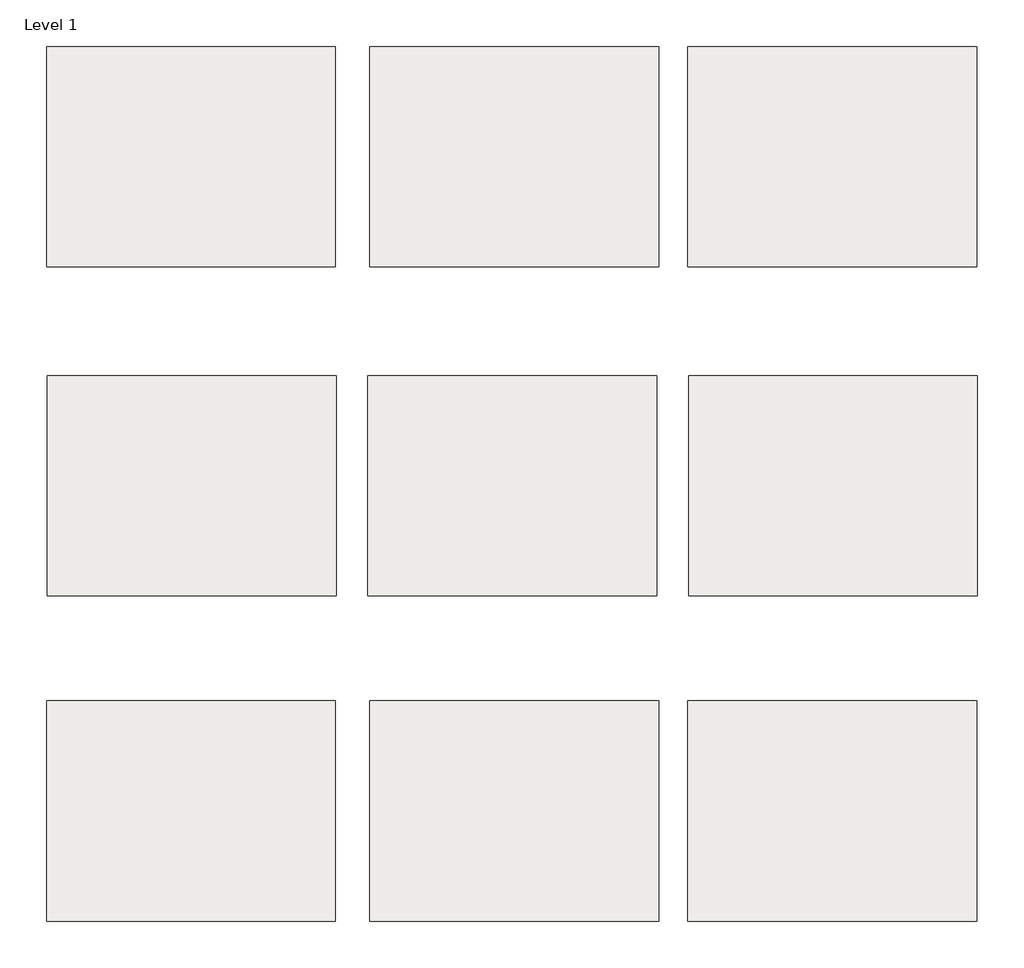
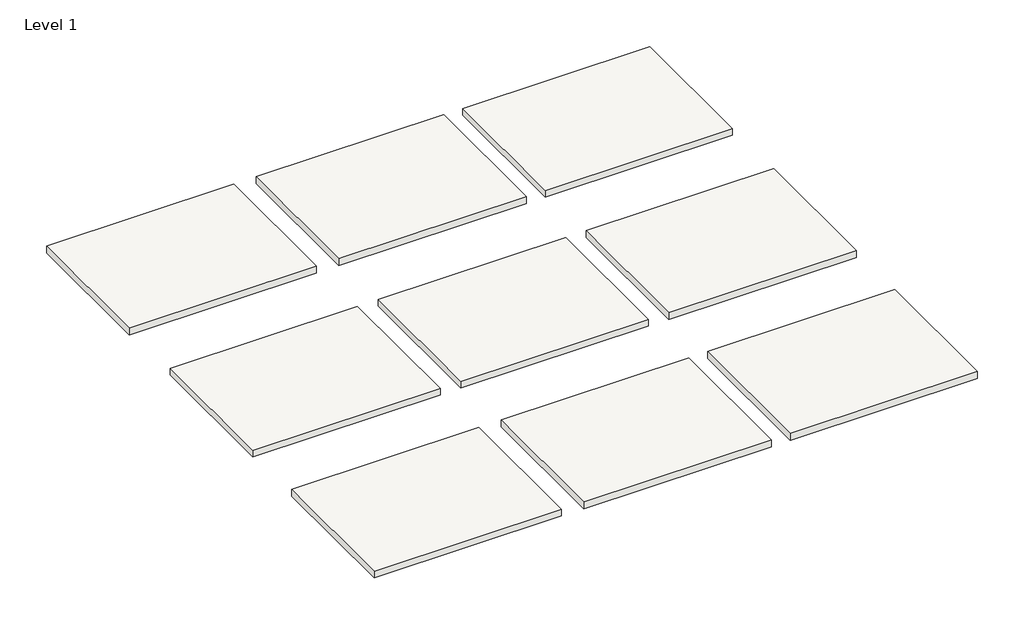
# One storey: 9 slabs.
"""IFC4 building model written with IfcOpenShell, lengths in millimetres."""

from ifc_helpers import new_model, si_unit, frame, origin, place, context, project, spatial, polyline, outline, extrude, element, save

model = new_model("IFC4")

# Units and contexts
model_context = context("Model", 3, world=origin())
ifc_project = project(units=[si_unit("LENGTHUNIT", "METRE", prefix="MILLI")], contexts=[model_context])

# Site, building, storey
site = spatial("IfcSite", under=ifc_project)
building = spatial("IfcBuilding", under=site)
storey = spatial("IfcBuildingStorey", under=building, Name="Level 1", Elevation=0.0)

# Slabs
placement = place(None, origin())
element("IfcSlab", 1, at=placement, inside=storey, context=model_context, shape_type="SweptSolid", body=[
    extrude(outline(polyline([(3860.6368856, 8965.7939198), (3860.6368856, 9251.5439198), (4235.2868856, 9251.5439198), (4235.2868856, 8965.7939198), (3860.6368856, 8965.7939198)])), frame((0.0, 0.0, -14.2875), z_axis=(0.0, 0.0, 1.0), x_axis=(1.0, 0.0, 0.0)), (0.0, 0.0, 1.0), 14.2875),
])
element("IfcSlab", 2, at=placement, inside=storey, context=model_context, shape_type="SweptSolid", body=[
    extrude(outline(polyline([(4273.3868856, 8965.7939198), (4273.3868856, 9251.5439198), (4648.0368856, 9251.5439198), (4648.0368856, 8965.7939198), (4273.3868856, 8965.7939198)])), frame((0.0, 0.0, -14.2875), z_axis=(0.0, 0.0, 1.0), x_axis=(1.0, 0.0, 0.0)), (0.0, 0.0, 1.0), 14.2875),
])
element("IfcSlab", 3, at=placement, inside=storey, context=model_context, shape_type="SweptSolid", body=[
    extrude(outline(polyline([(3442.3306356, 8539.1336482), (3442.3306356, 8824.8836482), (3816.9806356, 8824.8836482), (3816.9806356, 8539.1336482), (3442.3306356, 8539.1336482)])), frame((0.0, 0.0, -14.2875), z_axis=(0.0, 0.0, 1.0), x_axis=(1.0, 0.0, 0.0)), (0.0, 0.0, 1.0), 14.2875),
])
element("IfcSlab", 4, at=placement, inside=storey, context=model_context, shape_type="SweptSolid", body=[
    extrude(outline(polyline([(3858.2556356, 8539.1336482), (3858.2556356, 8824.8836482), (4232.9056356, 8824.8836482), (4232.9056356, 8539.1336482), (3858.2556356, 8539.1336482)])), frame((0.0, 0.0, -14.2875), z_axis=(0.0, 0.0, 1.0), x_axis=(1.0, 0.0, 0.0)), (0.0, 0.0, 1.0), 14.2875),
])
element("IfcSlab", 5, at=placement, inside=storey, context=model_context, shape_type="SweptSolid", body=[
    extrude(outline(polyline([(4274.1806356, 8539.1336482), (4274.1806356, 8824.8836482), (4648.8306356, 8824.8836482), (4648.8306356, 8539.1336482), (4274.1806356, 8539.1336482)])), frame((0.0, 0.0, -14.2875), z_axis=(0.0, 0.0, 1.0), x_axis=(1.0, 0.0, 0.0)), (0.0, 0.0, 1.0), 14.2875),
])
element("IfcSlab", 6, at=placement, inside=storey, context=model_context, shape_type="SweptSolid", body=[
    extrude(outline(polyline([(3441.5752042, 8117.2358765), (3441.5752042, 8402.9858765), (3816.2252042, 8402.9858765), (3816.2252042, 8117.2358765), (3441.5752042, 8117.2358765)])), frame((0.0, 0.0, -14.2875), z_axis=(0.0, 0.0, 1.0), x_axis=(1.0, 0.0, 0.0)), (0.0, 0.0, 1.0), 14.2875),
])
element("IfcSlab", 7, at=placement, inside=storey, context=model_context, shape_type="SweptSolid", body=[
    extrude(outline(polyline([(3860.6752042, 8117.2358765), (3860.6752042, 8402.9858765), (4235.3252042, 8402.9858765), (4235.3252042, 8117.2358765), (3860.6752042, 8117.2358765)])), frame((0.0, 0.0, -14.2875), z_axis=(0.0, 0.0, 1.0), x_axis=(1.0, 0.0, 0.0)), (0.0, 0.0, 1.0), 14.2875),
])
element("IfcSlab", 8, at=placement, inside=storey, context=model_context, shape_type="SweptSolid", body=[
    extrude(outline(polyline([(4273.4252042, 8117.2358765), (4273.4252042, 8402.9858765), (4648.0752042, 8402.9858765), (4648.0752042, 8117.2358765), (4273.4252042, 8117.2358765)])), frame((0.0, 0.0, -14.2875), z_axis=(0.0, 0.0, 1.0), x_axis=(1.0, 0.0, 0.0)), (0.0, 0.0, 1.0), 14.2875),
])
element("IfcSlab", 9, at=placement, inside=storey, context=model_context, shape_type="SweptSolid", body=[
    extrude(outline(polyline([(3441.5368856, 8965.7939198), (3441.5368856, 9251.5439198), (3816.1868856, 9251.5439198), (3816.1868856, 8965.7939198), (3441.5368856, 8965.7939198)])), frame((0.0, 0.0, -14.2875), z_axis=(0.0, 0.0, 1.0), x_axis=(1.0, 0.0, 0.0)), (0.0, 0.0, 1.0), 14.2875),
])

save(model, "model.ifc")
